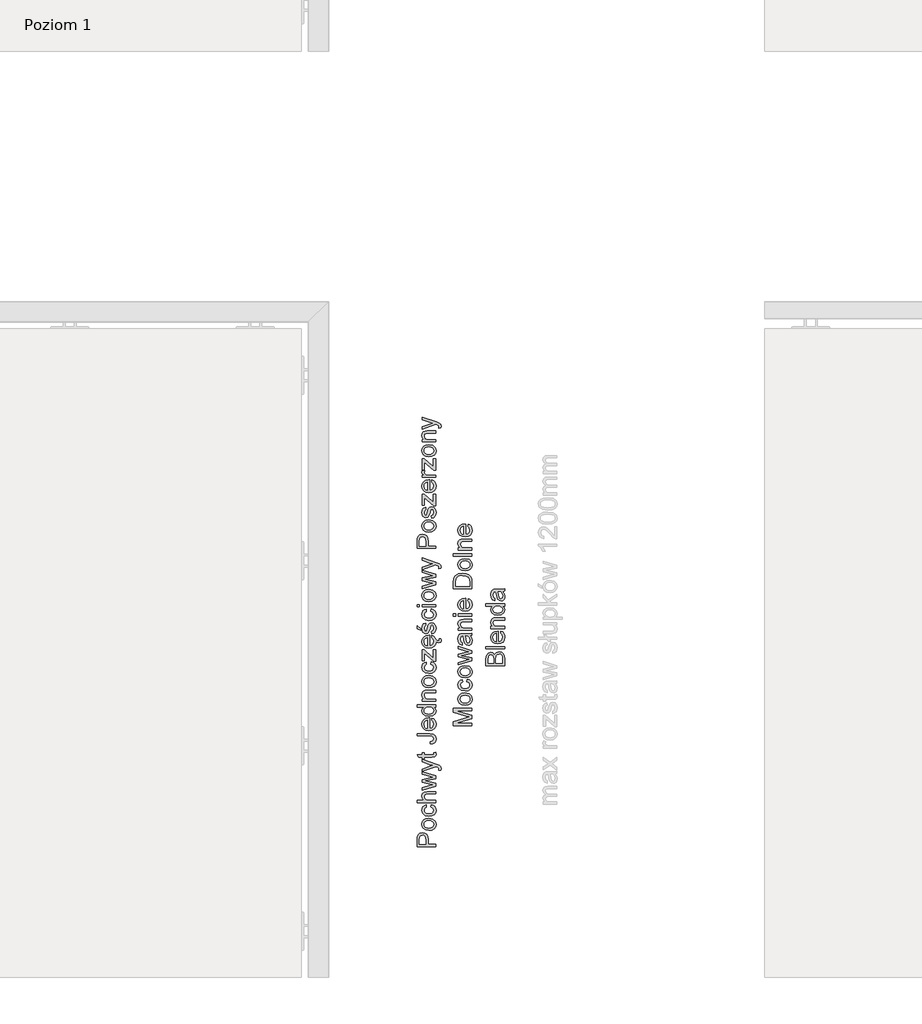
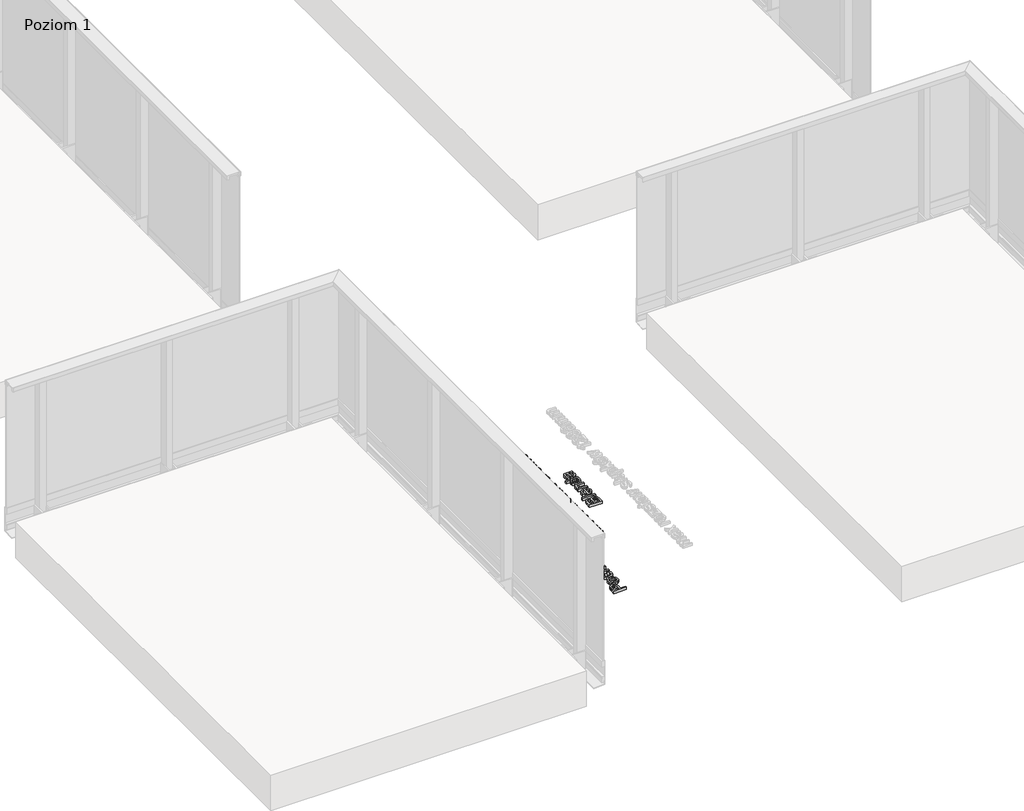
# One storey, part 16 of 35: 3 proxies.
"""IFC4 building model written with IfcOpenShell, lengths in millimetres."""

from ifc_helpers import new_model, si_unit, origin, origin_with_axes, place, context, project, spatial, polyline, outline, extrude, element, save

model = new_model("IFC4")

# Units and contexts
model_context = context("Model", 3, world=origin())
ifc_project = project(units=[si_unit("LENGTHUNIT", "METRE", prefix="MILLI")], contexts=[model_context])

# Site, building, storey
site = spatial("IfcSite", under=ifc_project)
building = spatial("IfcBuilding", under=site)
storey = spatial("IfcBuildingStorey", under=building, Name="Poziom 1", Elevation=0.0)

# Proxies
placement = place(None, origin())
element("IfcBuildingElementProxy", 1, Name="Generic Models", at=placement, inside=storey, context=model_context, shape_type="SweptSolid", body=[
    extrude(outline(polyline([(5115.5993765, -3924.2653868), (5015.1430664, -3924.2653868), (5015.1430664, -3887.0357289), (5016.0995596, -3872.0261435), (5020.7961864, -3859.8247239), (5030.508271, -3851.9152611), (5044.205744, -3848.9231542), (5056.0454129, -3850.9434394), (5065.9107817, -3857.0042953), (5072.5694458, -3868.3381265), (5074.7890005, -3886.1773375), (5074.7890005, -3911.708348), (5115.5993765, -3911.708348), (5115.5993765, -3924.2653868)]), holes=[polyline([(5062.2319618, -3911.708348), (5062.2319618, -3885.4415735), (5057.6211741, -3866.9493719), (5052.0722873, -3862.8474877), (5044.6472024, -3861.4801929), (5034.2484047, -3864.7052918), (5028.5584965, -3873.1788404), (5027.7001052, -3885.7358791), (5027.7001052, -3911.708348), (5062.2319618, -3911.708348)])]), origin_with_axes(), (0.0, 0.0, 1.0), 20.0),
    extrude(outline(polyline([(5078.7130752, -3836.3661154), (5060.9259807, -3833.64992), (5048.4241242, -3825.5013338), (5042.298889, -3815.4336299), (5040.2571439, -3803.3793632), (5042.7434131, -3790.1877279), (5050.2022205, -3779.6509745), (5062.0449551, -3772.74399), (5077.6830056, -3770.4416619), (5100.0257054, -3774.5128893), (5112.6685833, -3786.3709522), (5117.1690064, -3803.3793632), (5114.6919343, -3816.7304139), (5107.260718, -3827.2549046), (5095.1696631, -3834.0883127), (5078.7130752, -3836.3661154)]), holes=[polyline([(5078.6885497, -3823.8090766), (5090.0530377, -3822.3559427), (5098.1495072, -3817.9965411), (5102.9963525, -3811.4359789), (5104.6119676, -3803.3793632), (5102.9871555, -3795.3595357), (5098.112719, -3788.8112361), (5089.9089505, -3784.4518345), (5078.2961422, -3782.9987006), (5067.2627481, -3784.4610316), (5059.2766431, -3788.8480243), (5054.4297978, -3795.4055209), (5052.8141827, -3803.3793632), (5054.4236664, -3811.4359789), (5059.2521176, -3817.9965411), (5067.3301931, -3822.3559427), (5078.6885497, -3823.8090766)])]), origin_with_axes(), (0.0, 0.0, 1.0), 20.0),
    extrude(outline(polyline([(5088.9156692, -3709.2260979), (5090.485299, -3696.6690591), (5101.6535832, -3700.1700694), (5110.0934093, -3706.7490258), (5115.4001071, -3715.7866601), (5117.1690064, -3726.6637044), (5114.7011313, -3740.0208865), (5107.2975062, -3750.4656695), (5095.2830934, -3757.2071071), (5078.9828553, -3759.4542529), (5058.1239462, -3755.6160174), (5044.7207788, -3743.91737), (5040.2571439, -3726.8353827), (5041.7899856, -3716.2250528), (5046.3885105, -3707.7423071), (5053.8074641, -3701.6569258), (5063.8015916, -3698.2386889), (5065.3712215, -3710.7957277), (5055.9657051, -3716.620526), (5052.8141827, -3726.7372808), (5054.3654184, -3734.8521445), (5059.0191257, -3741.2931451), (5067.0266904, -3745.4961969), (5078.6394988, -3746.8972142), (5090.4086569, -3745.5268537), (5098.4438128, -3741.4157724), (5103.0699289, -3735.0912678), (5104.6119676, -3727.0806374), (5100.7614694, -3715.2470998), (5088.9156692, -3709.2260979)])), origin_with_axes(), (0.0, 0.0, 1.0), 20.0),
    extrude(outline(polyline([(5115.5993765, -3685.6816502), (5015.1430664, -3685.6816502), (5015.1430664, -3673.1246114), (5052.0784187, -3673.1246114), (5043.2124626, -3663.332819), (5040.2571439, -3651.2724209), (5043.4822427, -3637.1702777), (5052.3972498, -3628.61089), (5068.9028886, -3626.035716), (5115.5993765, -3626.035716), (5115.5993765, -3638.5927548), (5070.2027383, -3638.5927548), (5056.9589865, -3642.5904058), (5052.8141827, -3653.9211712), (5055.6100859, -3664.2096044), (5063.188455, -3671.076735), (5076.4076813, -3673.1246114), (5115.5993765, -3673.1246114), (5115.5993765, -3685.6816502)])), origin_with_axes(), (0.0, 0.0, 1.0), 20.0),
    extrude(outline(polyline([(5115.5993765, -3596.53158), (5041.8267738, -3618.9723817), (5041.8267738, -3605.9248336), (5084.8689672, -3593.1961166), (5100.2464346, -3589.3946693), (5085.4330529, -3586.2799351), (5041.8267738, -3576.1509175), (5041.8267738, -3561.190383), (5085.3104256, -3551.1104163), (5098.7258557, -3548.3390386), (5084.5746616, -3544.3659131), (5041.8267738, -3531.6126706), (5041.8267738, -3518.5160716), (5115.5993765, -3541.1285515), (5115.5993765, -3556.3098152), (5072.3364539, -3565.9483235), (5058.8474474, -3568.7442266), (5115.5993765, -3581.1786381), (5115.5993765, -3596.53158)])), origin_with_axes(), (0.0, 0.0, 1.0), 20.0),
    extrude(outline(polyline([(5143.8527138, -3509.8831074), (5131.7616589, -3511.4527372), (5132.8653048, -3505.076116), (5131.479616, -3499.1164277), (5127.616855, -3495.4621332), (5118.3707542, -3492.0285679), (5115.3295964, -3491.0475493), (5041.8267738, -3517.7312566), (5041.8267738, -3504.4875048), (5082.7843026, -3490.3363107), (5099.1673141, -3485.406692), (5084.6972889, -3480.4770733), (5041.8267738, -3465.9334717), (5041.8267738, -3452.7878218), (5117.3652101, -3478.465985), (5133.7482216, -3485.1369119), (5142.601915, -3492.4209754), (5145.4223436, -3502.2066364), (5143.8527138, -3509.8831074)])), origin_with_axes(), (0.0, 0.0, 1.0), 20.0),
    extrude(outline(polyline([(5105.1270024, -3415.7053166), (5115.9672585, -3414.1356868), (5117.1690064, -3423.5289404), (5115.0843417, -3434.0503655), (5109.6151627, -3439.2988153), (5095.3658668, -3440.8193942), (5054.3838125, -3440.8193942), (5054.3838125, -3450.2371733), (5041.8267738, -3450.2371733), (5041.8267738, -3440.8193942), (5023.8986579, -3440.8193942), (5016.5164925, -3428.2623554), (5041.8267738, -3428.2623554), (5041.8267738, -3415.7053166), (5054.3838125, -3415.7053166), (5054.3838125, -3428.2623554), (5094.9979848, -3428.2623554), (5101.4727079, -3427.6001678), (5103.765839, -3425.4541895), (5104.6119676, -3421.1744956), (5105.1270024, -3415.7053166)])), origin_with_axes(), (0.0, 0.0, 1.0), 20.0),
    extrude(outline(polyline([(5087.3950902, -3368.6164213), (5085.7764095, -3356.0593825), (5100.6143166, -3351.7674259), (5104.6119676, -3341.1724244), (5102.343362, -3332.5762485), (5096.1629445, -3327.5975788), (5083.7162703, -3326.2364154), (5015.1430664, -3326.2364154), (5015.1430664, -3313.6793766), (5083.4955411, -3313.6793766), (5103.0055496, -3316.7082717), (5113.5392374, -3326.3222545), (5117.1690064, -3341.7610356), (5115.2958739, -3353.3677126), (5109.6764764, -3361.8964435), (5100.3598649, -3367.0713169), (5087.3950902, -3368.6164213)])), origin_with_axes(), (0.0, 0.0, 1.0), 20.0),
    extrude(outline(polyline([(5093.6245587, -3241.6235565), (5095.1941885, -3229.3117724), (5104.4709462, -3233.7478161), (5111.4055218, -3240.8264789), (5115.7281352, -3250.3883451), (5117.1690064, -3262.2739992), (5114.6827372, -3277.0076731), (5107.2239298, -3288.3445699), (5095.276962, -3295.5734511), (5079.3262118, -3297.9830782), (5062.8389671, -3295.5489256), (5050.5087889, -3288.246468), (5042.8200552, -3277.0628554), (5040.2571439, -3262.9852377), (5042.8139238, -3249.3460127), (5050.4842634, -3238.4475086), (5062.7899161, -3231.3014009), (5079.2526354, -3228.919365), (5082.6371498, -3228.9929414), (5082.6371498, -3285.4260394), (5092.0365347, -3283.25247), (5098.9465849, -3278.2032896), (5103.1956219, -3270.9161604), (5104.6119676, -3262.0287445), (5101.9877427, -3249.7169604), (5093.6245587, -3241.6235565)]), holes=[polyline([(5070.080111, -3285.4260394), (5070.080111, -3241.4764037), (5058.7002946, -3246.5041243), (5054.2857107, -3253.824976), (5052.8141827, -3263.0342886), (5057.5108095, -3278.4975952), (5063.0014483, -3283.3628346), (5070.080111, -3285.4260394)])]), origin_with_axes(), (0.0, 0.0, 1.0), 20.0),
    extrude(outline(polyline([(5115.5993765, -3170.8430606), (5103.7535763, -3170.8430606), (5113.8151489, -3179.1510624), (5117.1690064, -3190.635112), (5112.312964, -3206.1842577), (5098.7626439, -3217.1716666), (5078.7866516, -3221.0712157), (5058.7983965, -3217.4782349), (5045.0396099, -3206.7115552), (5040.2571439, -3190.6841629), (5043.6784465, -3179.1081428), (5052.568928, -3170.8430606), (5015.1430664, -3170.8430606), (5015.1430664, -3158.2860219), (5115.5993765, -3158.2860219), (5115.5993765, -3170.8430606)]), holes=[polyline([(5078.7376006, -3208.514177), (5090.0959572, -3207.0978313), (5098.1740327, -3202.8487942), (5103.0024839, -3196.6745081), (5104.6119676, -3189.4824151), (5103.0760603, -3182.2933877), (5098.4683383, -3176.2754514), (5090.7029625, -3172.2011583), (5079.6940938, -3170.8430606), (5067.6582212, -3172.2256838), (5059.3134313, -3176.3735533), (5054.4389948, -3182.5447738), (5052.8141827, -3189.9974499), (5054.3746155, -3197.2631193), (5059.0559139, -3203.2166762), (5067.0972012, -3207.1898018), (5078.7376006, -3208.514177)])]), origin_with_axes(), (0.0, 0.0, 1.0), 20.0),
    extrude(outline(polyline([(5115.5993765, -3139.4504637), (5041.8267738, -3139.4504637), (5041.8267738, -3126.893425), (5052.1274696, -3126.893425), (5043.2247253, -3117.2917049), (5040.2571439, -3104.1828431), (5042.6483769, -3092.3247801), (5048.9268963, -3084.2313763), (5058.1607344, -3080.4667172), (5070.3008402, -3079.8045296), (5115.5993765, -3079.8045296), (5115.5993765, -3092.3615683), (5071.9930974, -3092.3615683), (5060.8830611, -3093.8085709), (5055.0092119, -3098.9221306), (5052.8141827, -3107.542832), (5057.7438014, -3121.1667286), (5064.8868435, -3125.4617509), (5076.4567322, -3126.893425), (5115.5993765, -3126.893425), (5115.5993765, -3139.4504637)])), origin_with_axes(), (0.0, 0.0, 1.0), 20.0),
    extrude(outline(polyline([(5078.7130752, -3065.677861), (5060.9259807, -3062.9616656), (5048.4241242, -3054.8130794), (5042.298889, -3044.7453754), (5040.2571439, -3032.6911087), (5042.7434131, -3019.4994735), (5050.2022205, -3008.96272), (5062.0449551, -3002.0557356), (5077.6830056, -2999.7534074), (5100.0257054, -3003.8246348), (5112.6685833, -3015.6826978), (5117.1690064, -3032.6911087), (5114.6919343, -3046.0421595), (5107.260718, -3056.5666502), (5095.1696631, -3063.4000583), (5078.7130752, -3065.677861)]), holes=[polyline([(5078.6885497, -3053.1208222), (5090.0530377, -3051.6676883), (5098.1495072, -3047.3082867), (5102.9963525, -3040.7477244), (5104.6119676, -3032.6911087), (5102.9871555, -3024.6712812), (5098.112719, -3018.1229817), (5089.9089505, -3013.7635801), (5078.2961422, -3012.3104462), (5067.2627481, -3013.7727771), (5059.2766431, -3018.1597699), (5054.4297978, -3024.7172665), (5052.8141827, -3032.6911087), (5054.4236664, -3040.7477244), (5059.2521176, -3047.3082867), (5067.3301931, -3051.6676883), (5078.6885497, -3053.1208222)])]), origin_with_axes(), (0.0, 0.0, 1.0), 20.0),
    extrude(outline(polyline([(5088.9156692, -2938.5378434), (5090.485299, -2925.9808047), (5101.6535832, -2929.481815), (5110.0934093, -2936.0607713), (5115.4001071, -2945.0984057), (5117.1690064, -2955.97545), (5114.7011313, -2969.3326321), (5107.2975062, -2979.7774151), (5095.2830934, -2986.5188526), (5078.9828553, -2988.7659985), (5058.1239462, -2984.927763), (5044.7207788, -2973.2291156), (5040.2571439, -2956.1471283), (5041.7899856, -2945.5367984), (5046.3885105, -2937.0540527), (5053.8074641, -2930.9686714), (5063.8015916, -2927.5504345), (5065.3712215, -2940.1074733), (5055.9657051, -2945.9322715), (5052.8141827, -2956.0490264), (5054.3654184, -2964.1638901), (5059.0191257, -2970.6048907), (5067.0266904, -2974.8079425), (5078.6394988, -2976.2089597), (5090.4086569, -2974.8385993), (5098.4438128, -2970.727518), (5103.0699289, -2964.4030134), (5104.6119676, -2956.3923829), (5100.7614694, -2944.5588454), (5088.9156692, -2938.5378434)])), origin_with_axes(), (0.0, 0.0, 1.0), 20.0),
    extrude(outline(polyline([(5115.5993765, -2922.841545), (5103.7781018, -2922.841545), (5054.3838125, -2879.5050459), (5054.3838125, -2892.3318648), (5054.3838125, -2919.7022853), (5041.8267738, -2919.7022853), (5041.8267738, -2861.625981), (5052.4953516, -2861.625981), (5096.32236, -2900.0573867), (5103.0423378, -2905.9434987), (5103.0423378, -2891.4244226), (5103.0423378, -2860.0563511), (5115.5993765, -2860.0563511), (5115.5993765, -2922.841545)])), origin_with_axes(), (0.0, 0.0, 1.0), 20.0),
    extrude(outline(polyline([(5093.6245587, -2795.8486802), (5095.1941885, -2783.5368961), (5104.4709462, -2787.9729399), (5111.4055218, -2795.0516026), (5115.768218, -2804.9441093), (5121.6694295, -2810.8214774), (5128.9902812, -2812.9674557), (5133.9689508, -2811.4346141), (5136.0045645, -2806.4682072), (5135.5631061, -2803.3289475), (5134.3858838, -2800.410417), (5143.0433734, -2800.410417), (5145.4223436, -2809.2150594), (5144.4167995, -2814.9908067), (5141.6454218, -2819.1110851), (5137.5864571, -2821.5758944), (5132.6691011, -2822.3852348), (5123.7540941, -2819.9326882), (5116.8755159, -2814.078139), (5117.1690064, -2816.4991229), (5114.6827372, -2831.2327968), (5107.2239298, -2842.5696936), (5095.276962, -2849.7985748), (5079.3262118, -2852.2082019), (5062.8389671, -2849.7740494), (5050.5087889, -2842.4715918), (5042.8200552, -2831.2879791), (5040.2571439, -2817.2103614), (5042.8139238, -2803.5711364), (5050.4842634, -2792.6726323), (5062.7899161, -2785.5265246), (5079.2526354, -2783.1444887), (5082.6371498, -2783.2180651), (5082.6371498, -2839.6511631), (5092.0365347, -2837.4775937), (5098.9465849, -2832.4284133), (5103.1956219, -2825.1412841), (5104.6119676, -2816.2538682), (5101.9877427, -2803.9420841), (5093.6245587, -2795.8486802)]), holes=[polyline([(5070.080111, -2839.6511631), (5070.080111, -2795.7015274), (5058.7002946, -2800.729248), (5054.2857107, -2808.0500997), (5052.8141827, -2817.2594124), (5057.5108095, -2832.7227189), (5063.0014483, -2837.5879583), (5070.080111, -2839.6511631)])]), origin_with_axes(), (0.0, 0.0, 1.0), 20.0),
    extrude(outline(polyline([(5093.6245587, -2775.2963394), (5092.0549288, -2762.7393007), (5101.3746061, -2756.9267651), (5104.6119676, -2743.6094369), (5101.6443862, -2730.8071435), (5094.6791537, -2726.6378142), (5089.0382965, -2730.831669), (5085.4575784, -2743.7565897), (5079.3139491, -2762.6657243), (5072.1402502, -2770.9185437), (5062.0112326, -2773.7267096), (5052.6547672, -2771.4703667), (5045.5055937, -2765.3144746), (5041.7899856, -2757.3314353), (5040.2571439, -2746.5279674), (5042.7219533, -2731.2486019), (5049.3928801, -2721.5365172), (5060.6623319, -2717.2200351), (5062.2319618, -2729.7770739), (5055.3035175, -2734.4982262), (5052.8141827, -2745.5469488), (5055.1931529, -2757.5644273), (5060.7359083, -2761.1696708), (5064.3902028, -2759.6736174), (5067.1615805, -2754.9892533), (5069.8348563, -2744.1735226), (5075.7454937, -2725.7426347), (5082.440946, -2717.1832469), (5093.3547786, -2714.0807754), (5105.3722571, -2717.7228072), (5114.0910604, -2728.2319695), (5117.1690064, -2743.7811152), (5115.6852157, -2756.4423872), (5111.2338435, -2765.6823566), (5103.8639409, -2771.8505114), (5093.6245587, -2775.2963394)])), origin_with_axes(), (0.0, 0.0, 1.0), 20.0),
    extrude(outline(polyline([(5033.9786245, -2756.4607813), (5015.1430664, -2747.0430022), (5015.1430664, -2731.3467037), (5033.9786245, -2747.0430022), (5033.9786245, -2756.4607813)])), origin_with_axes(), (0.0, 0.0, 1.0), 20.0),
    extrude(outline(polyline([(5088.9156692, -2652.8652114), (5090.485299, -2640.3081727), (5101.6535832, -2643.809183), (5110.0934093, -2650.3881393), (5115.4001071, -2659.4257737), (5117.1690064, -2670.302818), (5114.7011313, -2683.6600001), (5107.2975062, -2694.1047831), (5095.2830934, -2700.8462207), (5078.9828553, -2703.0933665), (5058.1239462, -2699.255131), (5044.7207788, -2687.5564836), (5040.2571439, -2670.4744963), (5041.7899856, -2659.8641664), (5046.3885105, -2651.3814207), (5053.8074641, -2645.2960394), (5063.8015916, -2641.8778025), (5065.3712215, -2654.4348413), (5055.9657051, -2660.2596395), (5052.8141827, -2670.3763944), (5054.3654184, -2678.4912581), (5059.0191257, -2684.9322587), (5067.0266904, -2689.1353105), (5078.6394988, -2690.5363277), (5090.4086569, -2689.1659673), (5098.4438128, -2685.054886), (5103.0699289, -2678.7303814), (5104.6119676, -2670.7197509), (5100.7614694, -2658.8862134), (5088.9156692, -2652.8652114)])), origin_with_axes(), (0.0, 0.0, 1.0), 20.0),
    extrude(outline(polyline([(5027.7001052, -2629.3207637), (5015.1430664, -2629.3207637), (5015.1430664, -2616.763725), (5027.7001052, -2616.763725), (5027.7001052, -2629.3207637)])), origin_with_axes(), (0.0, 0.0, 1.0), 20.0),
    extrude(outline(polyline([(5115.5993765, -2629.3207637), (5041.8267738, -2629.3207637), (5041.8267738, -2616.763725), (5115.5993765, -2616.763725), (5115.5993765, -2629.3207637)])), origin_with_axes(), (0.0, 0.0, 1.0), 20.0),
    extrude(outline(polyline([(5078.7130752, -2601.0674265), (5060.9259807, -2598.3512311), (5048.4241242, -2590.2026449), (5042.298889, -2580.134941), (5040.2571439, -2568.0806743), (5042.7434131, -2554.8890391), (5050.2022205, -2544.3522856), (5062.0449551, -2537.4453011), (5077.6830056, -2535.142973), (5100.0257054, -2539.2142004), (5112.6685833, -2551.0722634), (5117.1690064, -2568.0806743), (5114.6919343, -2581.431725), (5107.260718, -2591.9562158), (5095.1696631, -2598.7896238), (5078.7130752, -2601.0674265)]), holes=[polyline([(5078.6885497, -2588.5103878), (5090.0530377, -2587.0572539), (5098.1495072, -2582.6978522), (5102.9963525, -2576.13729), (5104.6119676, -2568.0806743), (5102.9871555, -2560.0608468), (5098.112719, -2553.5125473), (5089.9089505, -2549.1531456), (5078.2961422, -2547.7000118), (5067.2627481, -2549.1623427), (5059.2766431, -2553.5493355), (5054.4297978, -2560.106832), (5052.8141827, -2568.0806743), (5054.4236664, -2576.13729), (5059.2521176, -2582.6978522), (5067.3301931, -2587.0572539), (5078.6885497, -2588.5103878)])]), origin_with_axes(), (0.0, 0.0, 1.0), 20.0),
    extrude(outline(polyline([(5115.5993765, -2508.7780967), (5041.8267738, -2531.2188984), (5041.8267738, -2518.1713503), (5084.8689672, -2505.4426332), (5100.2464346, -2501.641186), (5085.4330529, -2498.5264517), (5041.8267738, -2488.3974341), (5041.8267738, -2473.4368997), (5085.3104256, -2463.356933), (5098.7258557, -2460.5855553), (5084.5746616, -2456.6124297), (5041.8267738, -2443.8591872), (5041.8267738, -2430.7625882), (5115.5993765, -2453.3750682), (5115.5993765, -2468.5563319), (5072.3364539, -2478.1948401), (5058.8474474, -2480.9907433), (5115.5993765, -2493.4251547), (5115.5993765, -2508.7780967)])), origin_with_axes(), (0.0, 0.0, 1.0), 20.0),
    extrude(outline(polyline([(5143.8527138, -2422.1296241), (5131.7616589, -2423.6992539), (5132.8653048, -2417.3226327), (5131.479616, -2411.3629443), (5127.616855, -2407.7086499), (5118.3707542, -2404.2750846), (5115.3295964, -2403.2940659), (5041.8267738, -2429.9777733), (5041.8267738, -2416.7340215), (5082.7843026, -2402.5828274), (5099.1673141, -2397.6532087), (5084.6972889, -2392.7235899), (5041.8267738, -2378.1799884), (5041.8267738, -2365.0343384), (5117.3652101, -2390.7125017), (5133.7482216, -2397.3834285), (5142.601915, -2404.667492), (5145.4223436, -2414.4531531), (5143.8527138, -2422.1296241)])), origin_with_axes(), (0.0, 0.0, 1.0), 20.0),
    extrude(outline(polyline([(5115.5993765, -2313.8251647), (5015.1430664, -2313.8251647), (5015.1430664, -2276.5955068), (5016.0995596, -2261.5859214), (5020.7961864, -2249.3845019), (5030.508271, -2241.475039), (5044.205744, -2238.4829321), (5056.0454129, -2240.5032174), (5065.9107817, -2246.5640732), (5072.5694458, -2257.8979044), (5074.7890005, -2275.7371155), (5074.7890005, -2301.2681259), (5115.5993765, -2301.2681259), (5115.5993765, -2313.8251647)]), holes=[polyline([(5062.2319618, -2301.2681259), (5062.2319618, -2275.0013515), (5057.6211741, -2256.5091498), (5052.0722873, -2252.4072656), (5044.6472024, -2251.0399708), (5034.2484047, -2254.2650697), (5028.5584965, -2262.7386183), (5027.7001052, -2275.2956571), (5027.7001052, -2301.2681259), (5062.2319618, -2301.2681259)])]), origin_with_axes(), (0.0, 0.0, 1.0), 20.0),
    extrude(outline(polyline([(5078.7130752, -2225.9258933), (5060.9259807, -2223.2096979), (5048.4241242, -2215.0611117), (5042.298889, -2204.9934078), (5040.2571439, -2192.9391411), (5042.7434131, -2179.7475059), (5050.2022205, -2169.2107524), (5062.0449551, -2162.3037679), (5077.6830056, -2160.0014398), (5100.0257054, -2164.0726672), (5112.6685833, -2175.9307302), (5117.1690064, -2192.9391411), (5114.6919343, -2206.2901918), (5107.260718, -2216.8146826), (5095.1696631, -2223.6480906), (5078.7130752, -2225.9258933)]), holes=[polyline([(5078.6885497, -2213.3688545), (5090.0530377, -2211.9157207), (5098.1495072, -2207.556319), (5102.9963525, -2200.9957568), (5104.6119676, -2192.9391411), (5102.9871555, -2184.9193136), (5098.112719, -2178.3710141), (5089.9089505, -2174.0116124), (5078.2961422, -2172.5584785), (5067.2627481, -2174.0208095), (5059.2766431, -2178.4078023), (5054.4297978, -2184.9652988), (5052.8141827, -2192.9391411), (5054.4236664, -2200.9957568), (5059.2521176, -2207.556319), (5067.3301931, -2211.9157207), (5078.6885497, -2213.3688545)])]), origin_with_axes(), (0.0, 0.0, 1.0), 20.0),
    extrude(outline(polyline([(5093.6245587, -2150.5836607), (5092.0549288, -2138.0266219), (5101.3746061, -2132.2140864), (5104.6119676, -2118.8967582), (5101.6443862, -2106.0944647), (5094.6791537, -2101.9251355), (5089.0382965, -2106.1189902), (5085.4575784, -2119.043911), (5079.3139491, -2137.9530455), (5072.1402502, -2146.2058649), (5062.0112326, -2149.0140308), (5052.6547672, -2146.7576879), (5045.5055937, -2140.6017959), (5041.7899856, -2132.6187566), (5040.2571439, -2121.8152887), (5042.7219533, -2106.5359231), (5049.3928801, -2096.8238385), (5060.6623319, -2092.5073564), (5062.2319618, -2105.0643952), (5055.3035175, -2109.7855474), (5052.8141827, -2120.83427), (5055.1931529, -2132.8517485), (5060.7359083, -2136.4569921), (5064.3902028, -2134.9609386), (5067.1615805, -2130.2765746), (5069.8348563, -2119.4608439), (5075.7454937, -2101.0299559), (5082.440946, -2092.4705682), (5093.3547786, -2089.3680967), (5105.3722571, -2093.0101284), (5114.0910604, -2103.5192908), (5117.1690064, -2119.0684364), (5115.6852157, -2131.7297084), (5111.2338435, -2140.9696779), (5103.8639409, -2147.1378327), (5093.6245587, -2150.5836607)])), origin_with_axes(), (0.0, 0.0, 1.0), 20.0),
    extrude(outline(polyline([(5115.5993765, -2083.0895773), (5103.7781018, -2083.0895773), (5054.3838125, -2039.7530783), (5054.3838125, -2052.5798972), (5054.3838125, -2079.9503176), (5041.8267738, -2079.9503176), (5041.8267738, -2021.8740133), (5052.4953516, -2021.8740133), (5096.32236, -2060.3054191), (5103.0423378, -2066.191531), (5103.0423378, -2051.6724549), (5103.0423378, -2020.3043835), (5115.5993765, -2020.3043835), (5115.5993765, -2083.0895773)])), origin_with_axes(), (0.0, 0.0, 1.0), 20.0),
    extrude(outline(polyline([(5093.6245587, -1956.0967126), (5095.1941885, -1943.7849285), (5104.4709462, -1948.2209722), (5111.4055218, -1955.2996349), (5115.7281352, -1964.8615011), (5117.1690064, -1976.7471552), (5114.6827372, -1991.4808291), (5107.2239298, -2002.817726), (5095.276962, -2010.0466072), (5079.3262118, -2012.4562342), (5062.8389671, -2010.0220817), (5050.5087889, -2002.7196241), (5042.8200552, -1991.5360114), (5040.2571439, -1977.4583938), (5042.8139238, -1963.8191688), (5050.4842634, -1952.9206647), (5062.7899161, -1945.7745569), (5079.2526354, -1943.392521), (5082.6371498, -1943.4660974), (5082.6371498, -1999.8991955), (5092.0365347, -1997.725626), (5098.9465849, -1992.6764456), (5103.1956219, -1985.3893164), (5104.6119676, -1976.5019006), (5101.9877427, -1964.1901165), (5093.6245587, -1956.0967126)]), holes=[polyline([(5070.080111, -1999.8991955), (5070.080111, -1955.9495598), (5058.7002946, -1960.9772804), (5054.2857107, -1968.2981321), (5052.8141827, -1977.5074447), (5057.5108095, -1992.9707512), (5063.0014483, -1997.8359906), (5070.080111, -1999.8991955)])]), origin_with_axes(), (0.0, 0.0, 1.0), 20.0),
    extrude(outline(polyline([(5115.5993765, -1891.5947361), (5103.7781018, -1891.5947361), (5054.3838125, -1848.2582371), (5054.3838125, -1861.085056), (5054.3838125, -1888.4554764), (5041.8267738, -1888.4554764), (5041.8267738, -1830.3791721), (5052.4953516, -1830.3791721), (5096.32236, -1868.8105779), (5103.0423378, -1874.6966898), (5103.0423378, -1860.1776137), (5103.0423378, -1828.8095422), (5115.5993765, -1828.8095422), (5115.5993765, -1891.5947361)])), origin_with_axes(), (0.0, 0.0, 1.0), 20.0),
    extrude(outline(polyline([(5115.5993765, -1930.8354822), (5041.8267738, -1930.8354822), (5041.8267738, -1919.8480733), (5052.7406063, -1919.8480733), (5042.6851651, -1912.048975), (5040.2571439, -1904.2008258), (5044.1321676, -1891.5947361), (5055.3893567, -1895.7885908), (5052.8141827, -1904.6177587), (5055.2912548, -1911.7178812), (5062.1583854, -1916.2428298), (5076.8246142, -1918.2784435), (5115.5993765, -1918.2784435), (5115.5993765, -1930.8354822)])), origin_with_axes(), (0.0, 0.0, 1.0), 20.0),
    extrude(outline(polyline([(5078.7130752, -1819.3917632), (5060.9259807, -1816.6755678), (5048.4241242, -1808.5269816), (5042.298889, -1798.4592776), (5040.2571439, -1786.4050109), (5042.7434131, -1773.2133757), (5050.2022205, -1762.6766222), (5062.0449551, -1755.7696378), (5077.6830056, -1753.4673096), (5100.0257054, -1757.538537), (5112.6685833, -1769.3966), (5117.1690064, -1786.4050109), (5114.6919343, -1799.7560617), (5107.260718, -1810.2805524), (5095.1696631, -1817.1139605), (5078.7130752, -1819.3917632)]), holes=[polyline([(5078.6885497, -1806.8347244), (5090.0530377, -1805.3815905), (5098.1495072, -1801.0221889), (5102.9963525, -1794.4616266), (5104.6119676, -1786.4050109), (5102.9871555, -1778.3851834), (5098.112719, -1771.8368839), (5089.9089505, -1767.4774823), (5078.2961422, -1766.0243484), (5067.2627481, -1767.4866793), (5059.2766431, -1771.8736721), (5054.4297978, -1778.4311687), (5052.8141827, -1786.4050109), (5054.4236664, -1794.4616266), (5059.2521176, -1801.0221889), (5067.3301931, -1805.3815905), (5078.6885497, -1806.8347244)])]), origin_with_axes(), (0.0, 0.0, 1.0), 20.0),
    extrude(outline(polyline([(5115.5993765, -1739.340641), (5041.8267738, -1739.340641), (5041.8267738, -1726.7836022), (5052.1274696, -1726.7836022), (5043.2247253, -1717.1818822), (5040.2571439, -1704.0730204), (5042.6483769, -1692.2149574), (5048.9268963, -1684.1215535), (5058.1607344, -1680.3568945), (5070.3008402, -1679.6947069), (5115.5993765, -1679.6947069), (5115.5993765, -1692.2517456), (5071.9930974, -1692.2517456), (5060.8830611, -1693.6987481), (5055.0092119, -1698.8123079), (5052.8141827, -1707.4330093), (5057.7438014, -1721.0569059), (5064.8868435, -1725.3519282), (5076.4567322, -1726.7836022), (5115.5993765, -1726.7836022), (5115.5993765, -1739.340641)])), origin_with_axes(), (0.0, 0.0, 1.0), 20.0),
    extrude(outline(polyline([(5143.8527138, -1662.4287786), (5131.7616589, -1663.9984084), (5132.8653048, -1657.6217872), (5131.479616, -1651.6620988), (5127.616855, -1648.0078043), (5118.3707542, -1644.5742391), (5115.3295964, -1643.5932204), (5041.8267738, -1670.2769278), (5041.8267738, -1657.033176), (5082.7843026, -1642.8819819), (5099.1673141, -1637.9523631), (5084.6972889, -1633.0227444), (5041.8267738, -1618.4791429), (5041.8267738, -1605.3334929), (5117.3652101, -1631.0116562), (5133.7482216, -1637.682583), (5142.601915, -1644.9666465), (5145.4223436, -1654.7523076), (5143.8527138, -1662.4287786)])), origin_with_axes(), (0.0, 0.0, 1.0), 20.0),
])
element("IfcBuildingElementProxy", 2, Name="Generic Models", at=placement, inside=storey, context=model_context, shape_type="SweptSolid", body=[
    extrude(outline(polyline([(5311.0111089, -3270.0219111), (5210.5547987, -3270.0219111), (5210.5547987, -3248.4149753), (5281.3598201, -3227.8626345), (5296.1486763, -3223.7178306), (5280.1335468, -3219.2296703), (5210.5547987, -3199.020686), (5210.5547987, -3177.4137502), (5311.0111089, -3177.4137502), (5311.0111089, -3189.970789), (5223.1118375, -3189.970789), (5311.0111089, -3215.2074938), (5311.0111089, -3232.2281675), (5223.1118375, -3257.4648723), (5311.0111089, -3257.4648723), (5311.0111089, -3270.0219111)])), origin_with_axes(), (0.0, 0.0, 1.0), 20.0),
    extrude(outline(polyline([(5274.1248075, -3160.1478219), (5256.337713, -3157.4316265), (5243.8358566, -3149.2830403), (5237.7106214, -3139.2153364), (5235.6688763, -3127.1610696), (5238.1551454, -3113.9694344), (5245.6139529, -3103.432681), (5257.4566874, -3096.5256965), (5273.0947379, -3094.2233683), (5295.4374378, -3098.2945958), (5308.0803157, -3110.1526587), (5312.5807387, -3127.1610696), (5310.1036666, -3140.5121204), (5302.6724503, -3151.0366111), (5290.5813954, -3157.8700192), (5274.1248075, -3160.1478219)]), holes=[polyline([(5274.100282, -3147.5907831), (5285.46477, -3146.1376492), (5293.5612396, -3141.7782476), (5298.4080849, -3135.2176853), (5300.0237, -3127.1610696), (5298.3988878, -3119.1412421), (5293.5244514, -3112.5929426), (5285.3206829, -3108.233541), (5273.7078746, -3106.7804071), (5262.6744804, -3108.242738), (5254.6883754, -3112.6297308), (5249.8415301, -3119.1872274), (5248.225915, -3127.1610696), (5249.8353988, -3135.2176853), (5254.66385, -3141.7782476), (5262.7419254, -3146.1376492), (5274.100282, -3147.5907831)])]), origin_with_axes(), (0.0, 0.0, 1.0), 20.0),
    extrude(outline(polyline([(5284.3274015, -3033.0078043), (5285.8970314, -3020.4507656), (5297.0653156, -3023.9517759), (5305.5051417, -3030.5307322), (5310.8118395, -3039.5683666), (5312.5807387, -3050.4454109), (5310.1128637, -3063.802593), (5302.7092385, -3074.247376), (5290.6948257, -3080.9888136), (5274.3945876, -3083.2359594), (5253.5356785, -3079.3977239), (5240.1325112, -3067.6990765), (5235.6688763, -3050.6170892), (5237.2017179, -3040.0067593), (5241.8002429, -3031.5240136), (5249.2191964, -3025.4386323), (5259.213324, -3022.0203954), (5260.7829538, -3034.5774342), (5251.3774375, -3040.4022324), (5248.225915, -3050.5189873), (5249.7771508, -3058.633851), (5254.430858, -3065.0748516), (5262.4384228, -3069.2779034), (5274.0512311, -3070.6789207), (5285.8203893, -3069.3085602), (5293.8555452, -3065.1974789), (5298.4816613, -3058.8729743), (5300.0237, -3050.8623438), (5296.1732018, -3039.0288063), (5284.3274015, -3033.0078043)])), origin_with_axes(), (0.0, 0.0, 1.0), 20.0),
    extrude(outline(polyline([(5274.1248075, -3012.6026163), (5256.337713, -3009.8864209), (5243.8358566, -3001.7378348), (5237.7106214, -2991.6701308), (5235.6688763, -2979.6158641), (5238.1551454, -2966.4242289), (5245.6139529, -2955.8874754), (5257.4566874, -2948.980491), (5273.0947379, -2946.6781628), (5295.4374378, -2950.7493902), (5308.0803157, -2962.6074532), (5312.5807387, -2979.6158641), (5310.1036666, -2992.9669149), (5302.6724503, -3003.4914056), (5290.5813954, -3010.3248137), (5274.1248075, -3012.6026163)]), holes=[polyline([(5274.100282, -3000.0455776), (5285.46477, -2998.5924437), (5293.5612396, -2994.2330421), (5298.4080849, -2987.6724798), (5300.0237, -2979.6158641), (5298.3988878, -2971.5960366), (5293.5244514, -2965.0477371), (5285.3206829, -2960.6883355), (5273.7078746, -2959.2352016), (5262.6744804, -2960.6975325), (5254.6883754, -2965.0845253), (5249.8415301, -2971.6420219), (5248.225915, -2979.6158641), (5249.8353988, -2987.6724798), (5254.66385, -2994.2330421), (5262.7419254, -2998.5924437), (5274.100282, -3000.0455776)])]), origin_with_axes(), (0.0, 0.0, 1.0), 20.0),
    extrude(outline(polyline([(5311.0111089, -2920.3132865), (5237.2385061, -2942.7540882), (5237.2385061, -2929.7065401), (5280.2806996, -2916.9778231), (5295.658167, -2913.1763758), (5280.8447853, -2910.0616416), (5237.2385061, -2899.932624), (5237.2385061, -2884.9720895), (5280.722158, -2874.8921228), (5294.137588, -2872.1207451), (5279.986394, -2868.1476196), (5237.2385061, -2855.3943771), (5237.2385061, -2842.297778), (5311.0111089, -2864.910258), (5311.0111089, -2880.0915217), (5267.7481863, -2889.73003), (5254.2591798, -2892.5259331), (5311.0111089, -2904.9603446), (5311.0111089, -2920.3132865)])), origin_with_axes(), (0.0, 0.0, 1.0), 20.0),
    extrude(outline(polyline([(5301.5933298, -2786.5759185), (5310.1036666, -2798.7528126), (5312.5807387, -2812.2050308), (5311.0908167, -2822.6988648), (5306.6210504, -2830.4397151), (5299.8336276, -2835.212984), (5291.3907358, -2836.8040736), (5281.4579219, -2834.4005779), (5274.2474348, -2828.0852703), (5270.1271565, -2819.2928906), (5268.2386956, -2808.428109), (5263.9222135, -2786.6494949), (5261.1263103, -2786.5759185), (5251.8556841, -2790.0340093), (5248.225915, -2803.9154232), (5250.6416735, -2816.6196148), (5259.213324, -2822.677405), (5257.6436941, -2835.2344437), (5245.380961, -2829.8020529), (5238.1949993, -2818.863695), (5235.6688763, -2802.2967424), (5237.9006937, -2787.0786906), (5243.5047628, -2778.4825146), (5252.0273623, -2774.6320164), (5263.0147713, -2774.0188797), (5278.6374933, -2774.0188797), (5300.4528956, -2773.3812176), (5311.0111089, -2770.87962), (5311.0111089, -2783.4366588), (5301.5933298, -2786.5759185)]), holes=[polyline([(5276.4792523, -2786.5759185), (5280.3297505, -2806.8339537), (5282.3653642, -2817.6374216), (5285.6763022, -2822.5302522), (5290.507819, -2824.2470348), (5297.3013732, -2820.5069012), (5300.0237, -2809.531755), (5297.0193303, -2796.8275634), (5289.7475296, -2788.6360577), (5280.0354449, -2786.6494949), (5276.4792523, -2786.5759185)])]), origin_with_axes(), (0.0, 0.0, 1.0), 20.0),
    extrude(outline(polyline([(5311.0111089, -2756.7529514), (5237.2385061, -2756.7529514), (5237.2385061, -2744.1959127), (5247.539202, -2744.1959127), (5238.6364577, -2734.5941926), (5235.6688763, -2721.4853308), (5238.0601092, -2709.6272679), (5244.3386286, -2701.533864), (5253.5724667, -2697.7692049), (5265.7125726, -2697.1070173), (5311.0111089, -2697.1070173), (5311.0111089, -2709.6640561), (5267.4048297, -2709.6640561), (5256.2947935, -2711.1110586), (5250.4209443, -2716.2246183), (5248.225915, -2724.8453197), (5253.1555338, -2738.4692163), (5260.2985759, -2742.7642386), (5271.8684646, -2744.1959127), (5311.0111089, -2744.1959127), (5311.0111089, -2756.7529514)])), origin_with_axes(), (0.0, 0.0, 1.0), 20.0),
    extrude(outline(polyline([(5223.1118375, -2679.841089), (5210.5547987, -2679.841089), (5210.5547987, -2667.2840502), (5223.1118375, -2667.2840502), (5223.1118375, -2679.841089)])), origin_with_axes(), (0.0, 0.0, 1.0), 20.0),
    extrude(outline(polyline([(5311.0111089, -2679.841089), (5237.2385061, -2679.841089), (5237.2385061, -2667.2840502), (5311.0111089, -2667.2840502), (5311.0111089, -2679.841089)])), origin_with_axes(), (0.0, 0.0, 1.0), 20.0),
    extrude(outline(polyline([(5289.036291, -2596.7978599), (5290.6059209, -2584.4860758), (5299.8826785, -2588.9221196), (5306.8172541, -2596.0007823), (5311.1398676, -2605.5626485), (5312.5807387, -2617.4483026), (5310.0944696, -2632.1819765), (5302.6356621, -2643.5188733), (5290.6886943, -2650.7477545), (5274.7379442, -2653.1573816), (5258.2506994, -2650.7232291), (5245.9205212, -2643.4207715), (5238.2317875, -2632.2371588), (5235.6688763, -2618.1595411), (5238.2256561, -2604.5203161), (5245.8959957, -2593.621812), (5258.2016485, -2586.4757043), (5274.6643678, -2584.0936684), (5278.0488821, -2584.1672448), (5278.0488821, -2640.6003428), (5287.4482671, -2638.4267734), (5294.3583172, -2633.377593), (5298.6073543, -2626.0904638), (5300.0237, -2617.2030479), (5297.3994751, -2604.8912638), (5289.036291, -2596.7978599)]), holes=[polyline([(5265.4918434, -2640.6003428), (5265.4918434, -2596.6507071), (5254.112027, -2601.6784277), (5249.697443, -2608.9992794), (5248.225915, -2618.2085921), (5252.9225419, -2633.6718986), (5258.4131806, -2638.537138), (5265.4918434, -2640.6003428)])]), origin_with_axes(), (0.0, 0.0, 1.0), 20.0),
    extrude(outline(polyline([(5311.0111089, -2530.7262536), (5210.5547987, -2530.7262536), (5210.5547987, -2496.0717697), (5212.0018013, -2478.1436538), (5219.1877629, -2463.379323), (5236.3555893, -2451.4844718), (5260.2433936, -2447.5358718), (5280.5136915, -2450.2091476), (5295.1431322, -2457.0762782), (5304.2543429, -2466.2488026), (5309.2943262, -2478.2540184), (5311.0111089, -2494.4040379), (5311.0111089, -2530.7262536)]), holes=[polyline([(5298.4540701, -2518.1692148), (5298.4540701, -2495.9491423), (5296.6391856, -2479.78686), (5291.5133631, -2470.4671828), (5279.0421635, -2462.8275), (5260.0471898, -2460.0929105), (5246.3619796, -2461.4326141), (5236.2574875, -2465.4517249), (5225.1229257, -2478.4870103), (5223.1118375, -2496.2924988), (5223.1118375, -2518.1692148), (5298.4540701, -2518.1692148)])]), origin_with_axes(), (0.0, 0.0, 1.0), 20.0),
    extrude(outline(polyline([(5274.1248075, -2434.978833), (5256.337713, -2432.2626376), (5243.8358566, -2424.1140514), (5237.7106214, -2414.0463475), (5235.6688763, -2401.9920808), (5238.1551454, -2388.8004455), (5245.6139529, -2378.2636921), (5257.4566874, -2371.3567076), (5273.0947379, -2369.0543795), (5295.4374378, -2373.1256069), (5308.0803157, -2384.9836698), (5312.5807387, -2401.9920808), (5310.1036666, -2415.3431315), (5302.6724503, -2425.8676222), (5290.5813954, -2432.7010303), (5274.1248075, -2434.978833)]), holes=[polyline([(5274.100282, -2422.4217942), (5285.46477, -2420.9686603), (5293.5612396, -2416.6092587), (5298.4080849, -2410.0486964), (5300.0237, -2401.9920808), (5298.3988878, -2393.9722533), (5293.5244514, -2387.4239537), (5285.3206829, -2383.0645521), (5273.7078746, -2381.6114182), (5262.6744804, -2383.0737492), (5254.6883754, -2387.4607419), (5249.8415301, -2394.0182385), (5248.225915, -2401.9920808), (5249.8353988, -2410.0486964), (5254.66385, -2416.6092587), (5262.7419254, -2420.9686603), (5274.100282, -2422.4217942)])]), origin_with_axes(), (0.0, 0.0, 1.0), 20.0),
    extrude(outline(polyline([(5311.0111089, -2354.9277108), (5210.5547987, -2354.9277108), (5210.5547987, -2342.3706721), (5311.0111089, -2342.3706721), (5311.0111089, -2354.9277108)])), origin_with_axes(), (0.0, 0.0, 1.0), 20.0),
    extrude(outline(polyline([(5311.0111089, -2323.5351139), (5237.2385061, -2323.5351139), (5237.2385061, -2310.9780751), (5247.539202, -2310.9780751), (5238.6364577, -2301.3763551), (5235.6688763, -2288.2674933), (5238.0601092, -2276.4094303), (5244.3386286, -2268.3160264), (5253.5724667, -2264.5513674), (5265.7125726, -2263.8891798), (5311.0111089, -2263.8891798), (5311.0111089, -2276.4462185), (5267.4048297, -2276.4462185), (5256.2947935, -2277.893221), (5250.4209443, -2283.0067808), (5248.225915, -2291.6274822), (5253.1555338, -2305.2513788), (5260.2985759, -2309.546401), (5271.8684646, -2310.9780751), (5311.0111089, -2310.9780751), (5311.0111089, -2323.5351139)])), origin_with_axes(), (0.0, 0.0, 1.0), 20.0),
    extrude(outline(polyline([(5289.036291, -2194.9726193), (5290.6059209, -2182.6608352), (5299.8826785, -2187.096879), (5306.8172541, -2194.1755417), (5311.1398676, -2203.7374079), (5312.5807387, -2215.623062), (5310.0944696, -2230.3567359), (5302.6356621, -2241.6936327), (5290.6886943, -2248.9225139), (5274.7379442, -2251.332141), (5258.2506994, -2248.8979885), (5245.9205212, -2241.5955309), (5238.2317875, -2230.4119182), (5235.6688763, -2216.3343005), (5238.2256561, -2202.6950755), (5245.8959957, -2191.7965714), (5258.2016485, -2184.6504637), (5274.6643678, -2182.2684278), (5278.0488821, -2182.3420042), (5278.0488821, -2238.7751022), (5287.4482671, -2236.6015328), (5294.3583172, -2231.5523524), (5298.6073543, -2224.2652232), (5300.0237, -2215.3778073), (5297.3994751, -2203.0660232), (5289.036291, -2194.9726193)]), holes=[polyline([(5265.4918434, -2238.7751022), (5265.4918434, -2194.8254665), (5254.112027, -2199.8531871), (5249.697443, -2207.1740388), (5248.225915, -2216.3833515), (5252.9225419, -2231.846658), (5258.4131806, -2236.7118974), (5265.4918434, -2238.7751022)])]), origin_with_axes(), (0.0, 0.0, 1.0), 20.0),
])
element("IfcBuildingElementProxy", 3, Name="Generic Models", at=placement, inside=storey, context=model_context, shape_type="SweptSolid", body=[
    extrude(outline(polyline([(5487.3598268, -2946.9235997), (5386.9035167, -2946.9235997), (5386.9035167, -2908.5902958), (5389.8588354, -2889.8160514), (5398.9455207, -2878.7305406), (5411.796865, -2874.7206268), (5423.5323007, -2878.0928784), (5432.4227822, -2888.2832097), (5441.7915104, -2875.9101119), (5457.4142324, -2871.5813671), (5470.9155017, -2874.5366858), (5480.5294845, -2881.8575375), (5485.6307815, -2892.7836328), (5487.3598268, -2908.8846014), (5487.3598268, -2946.9235997)]), holes=[polyline([(5427.7138927, -2934.366561), (5427.7138927, -2911.4352499), (5426.6347722, -2898.0443453), (5421.9871963, -2889.9877296), (5413.8079533, -2887.2776656), (5405.6164475, -2889.8037886), (5400.7726679, -2897.0388012), (5399.4605555, -2913.176558), (5399.4605555, -2934.366561), (5427.7138927, -2934.366561)]), polyline([(5474.8027881, -2934.366561), (5474.8027881, -2908.6148213), (5474.3122788, -2899.2951441), (5471.5776893, -2891.4102067), (5465.9981457, -2886.1862823), (5457.5368598, -2884.1384059), (5447.7757242, -2886.5419016), (5441.9509259, -2894.3287372), (5440.2709315, -2909.8410946), (5440.2709315, -2934.366561), (5474.8027881, -2934.366561)])]), origin_with_axes(), (0.0, 0.0, 1.0), 20.0),
    extrude(outline(polyline([(5487.3598268, -2855.8850687), (5386.9035167, -2855.8850687), (5386.9035167, -2843.3280299), (5487.3598268, -2843.3280299), (5487.3598268, -2855.8850687)])), origin_with_axes(), (0.0, 0.0, 1.0), 20.0),
    extrude(outline(polyline([(5465.385009, -2772.8418396), (5466.9546388, -2760.5300555), (5476.2313965, -2764.9660992), (5483.1659721, -2772.044762), (5487.4885855, -2781.6066282), (5488.9294567, -2793.4922823), (5486.4431875, -2808.2259562), (5478.9843801, -2819.562853), (5467.0374123, -2826.7917342), (5451.0866621, -2829.2013613), (5434.5994174, -2826.7672087), (5422.2692392, -2819.4647511), (5414.5805055, -2808.2811385), (5412.0175942, -2794.2035208), (5414.5743741, -2780.5642958), (5422.2447137, -2769.6657917), (5434.5503664, -2762.519684), (5451.0130857, -2760.1376481), (5454.3976001, -2760.2112245), (5454.3976001, -2816.6443225), (5463.7969851, -2814.4707531), (5470.7070352, -2809.4215727), (5474.9560722, -2802.1344435), (5476.3724179, -2793.2470276), (5473.748193, -2780.9352435), (5465.385009, -2772.8418396)]), holes=[polyline([(5441.8405613, -2816.6443225), (5441.8405613, -2772.6946868), (5430.4607449, -2777.7224074), (5426.046161, -2785.0432591), (5424.574633, -2794.2525717), (5429.2712598, -2809.7158783), (5434.7618986, -2814.5811177), (5441.8405613, -2816.6443225)])]), origin_with_axes(), (0.0, 0.0, 1.0), 20.0),
    extrude(outline(polyline([(5487.3598268, -2747.5806093), (5413.5872241, -2747.5806093), (5413.5872241, -2735.0235705), (5423.8879199, -2735.0235705), (5414.9851757, -2725.4218504), (5412.0175942, -2712.3129887), (5414.4088272, -2700.4549257), (5420.6873466, -2692.3615218), (5429.9211847, -2688.5968627), (5442.0612905, -2687.9346751), (5487.3598268, -2687.9346751), (5487.3598268, -2700.4917139), (5443.7535477, -2700.4917139), (5432.6435114, -2701.9387164), (5426.7696622, -2707.0522761), (5424.574633, -2715.6729776), (5429.5042517, -2729.2968741), (5436.6472938, -2733.5918964), (5448.2171826, -2735.0235705), (5487.3598268, -2735.0235705), (5487.3598268, -2747.5806093)])), origin_with_axes(), (0.0, 0.0, 1.0), 20.0),
    extrude(outline(polyline([(5487.3598268, -2625.1494813), (5475.5140266, -2625.1494813), (5485.5755992, -2633.457483), (5488.9294567, -2644.9415326), (5484.0734144, -2660.4906783), (5470.5230942, -2671.4780872), (5450.5471019, -2675.3776364), (5430.5588468, -2671.7846555), (5416.8000602, -2661.0179758), (5412.0175942, -2644.9905836), (5415.4388968, -2633.4145634), (5424.3293783, -2625.1494813), (5386.9035167, -2625.1494813), (5386.9035167, -2612.5924425), (5487.3598268, -2612.5924425), (5487.3598268, -2625.1494813)]), holes=[polyline([(5450.4980509, -2662.8205976), (5461.8564075, -2661.4042519), (5469.934483, -2657.1552149), (5474.7629342, -2650.9809287), (5476.3724179, -2643.7888357), (5474.8365106, -2636.5998084), (5470.2287886, -2630.5818721), (5462.4634128, -2626.507579), (5451.4545441, -2625.1494813), (5439.4186715, -2626.5321045), (5431.0738816, -2630.6799739), (5426.1994452, -2636.8511944), (5424.574633, -2644.3038705), (5426.1350658, -2651.5695399), (5430.8163642, -2657.5230969), (5438.8576515, -2661.4962224), (5450.4980509, -2662.8205976)])]), origin_with_axes(), (0.0, 0.0, 1.0), 20.0),
    extrude(outline(polyline([(5477.9420478, -2546.667989), (5486.4523846, -2558.844883), (5488.9294567, -2572.2971013), (5487.4395346, -2582.7909352), (5482.9697684, -2590.5317855), (5476.1823456, -2595.3050544), (5467.7394538, -2596.8961441), (5457.8066399, -2594.4926484), (5450.5961528, -2588.1773408), (5446.4758745, -2579.3849611), (5444.5874135, -2568.5201795), (5440.2709315, -2546.7415654), (5437.4750283, -2546.667989), (5428.204402, -2550.1260797), (5424.574633, -2564.0074937), (5426.9903914, -2576.7116853), (5435.5620419, -2582.7694754), (5433.9924121, -2595.3265142), (5421.7296789, -2589.8941234), (5414.5437173, -2578.9557654), (5412.0175942, -2562.3888129), (5414.2494117, -2547.170761), (5419.8534807, -2538.5745851), (5428.3760803, -2534.7240869), (5439.3634892, -2534.1109502), (5454.9862113, -2534.1109502), (5476.8016136, -2533.4732881), (5487.3598268, -2530.9716905), (5487.3598268, -2543.5287293), (5477.9420478, -2546.667989)]), holes=[polyline([(5452.8279702, -2546.667989), (5456.6784685, -2566.9260242), (5458.7140822, -2577.7294921), (5462.0250201, -2582.6223226), (5466.856537, -2584.3391053), (5473.6500912, -2580.5989717), (5476.3724179, -2569.6238255), (5473.3680483, -2556.9196339), (5466.0962475, -2548.7281282), (5456.3841629, -2546.7415654), (5452.8279702, -2546.667989)])]), origin_with_axes(), (0.0, 0.0, 1.0), 20.0),
])

save(model, "model.ifc")
